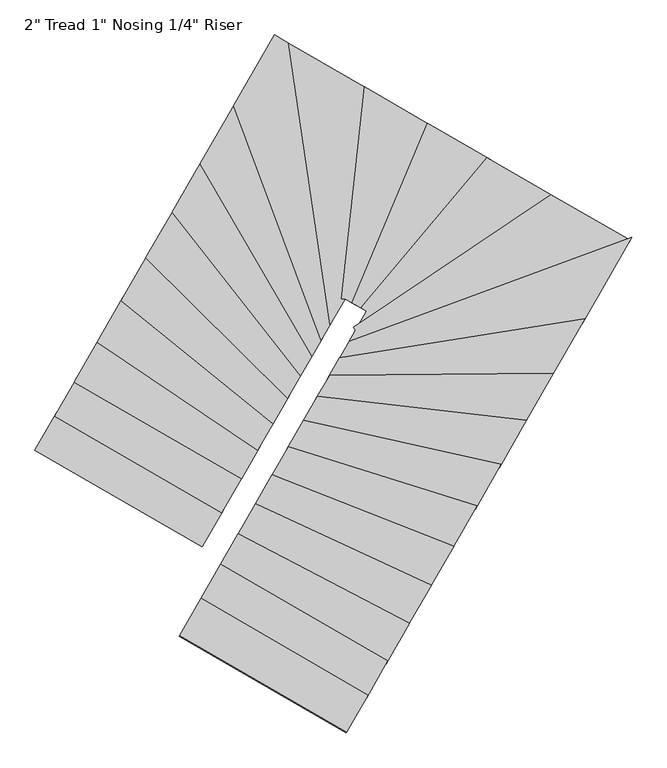
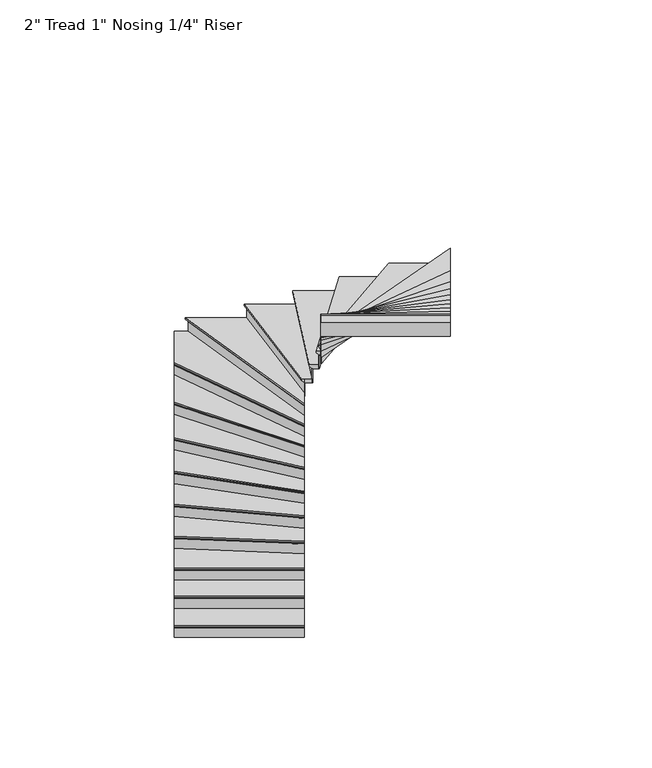
"""IFC4 building model written with IfcOpenShell, lengths in millimetres: stair flight geometry."""

from ifc_helpers import new_model, si_unit, origin, place, context, project, spatial, faceted_brep, source, transform, mapped, element, save


def stair_flight_7705b53c(model_context):
    return source(origin(), model_context, "Body", "Brep", [
        faceted_brep([(34058.7429103, -105273.2736568, 16920.7961538), (34058.7429103, -105273.2736568, 16939.8461538), (32870.7873116, -104587.6731496, 16939.8461538), (32870.7873116, -104587.6731496, 16920.7961538), (34071.439216, -105251.274479, 16895.3961538), (32883.4836173, -104565.6739719, 16895.3961538), (34211.0985786, -105009.2835238, 16939.8461538), (33023.1429799, -104323.6830166, 16939.8461538), (32883.4836173, -104565.6739719, 16889.0461538), (33023.1429799, -104323.6830166, 16889.0461538), (34211.0985786, -105009.2835238, 16889.0461538), (34071.439216, -105251.274479, 16889.0461538)], [[[0, 1, 2, 3]], [[4, 0, 3, 5]], [[2, 1, 6, 7]], [[8, 9, 10, 11]], [[2, 7, 9, 8, 5, 3]], [[8, 11, 4, 5]], [[6, 1, 0, 4, 11, 10]], [[7, 6, 10, 9]]]),
        faceted_brep([(34071.439216, -105251.274479, 16889.0461538), (34071.439216, -105251.274479, 16764.0), (34074.6132924, -105245.7746846, 16764.0), (34074.6132924, -105245.7746846, 16889.0461538), (32883.4836173, -104565.6739719, 16889.0461538), (32886.6576937, -104560.1741774, 16889.0461538), (32886.6576937, -104560.1741774, 16764.0), (32883.4836173, -104565.6739719, 16764.0)], [[[0, 1, 2, 3]], [[4, 5, 6, 7]], [[1, 0, 4, 7]], [[2, 1, 7, 6]], [[3, 2, 6, 5]], [[0, 3, 5, 4]]]),
        faceted_brep([(34211.0985786, -105009.2835238, 17064.8923077), (34211.0985786, -105009.2835238, 16889.0461538), (34214.272655, -105003.7837293, 16889.0461538), (34214.272655, -105003.7837293, 17064.8923077), (33023.1429799, -104323.6830166, 17064.8923077), (33026.3170563, -104318.1832221, 17064.8923077), (33026.3170563, -104318.1832221, 16889.0461538), (33023.1429799, -104323.6830166, 16889.0461538)], [[[0, 1, 2, 3]], [[4, 5, 6, 7]], [[1, 0, 4, 7]], [[2, 1, 7, 6]], [[3, 2, 6, 5]], [[0, 3, 5, 4]]]),
        faceted_brep([(33010.4466742, -104345.6821943, 17115.6923077), (34198.4022729, -105031.2827015, 17115.6923077), (34350.7579412, -104767.2925685, 17115.6923077), (33162.8023424, -104081.6920613, 17115.6923077), (33023.1429799, -104323.6830166, 17064.8923077), (33162.8023424, -104081.6920613, 17064.8923077), (34350.7579412, -104767.2925685, 17064.8923077), (34211.0985786, -105009.2835238, 17064.8923077), (33023.1429799, -104323.6830166, 17071.2423077), (33010.4466742, -104345.6821943, 17096.6423077), (34211.0985786, -105009.2835238, 17071.2423077), (34198.4022729, -105031.2827015, 17096.6423077)], [[[0, 1, 2, 3]], [[4, 5, 6, 7]], [[0, 3, 5, 4, 8, 9]], [[4, 7, 10, 8]], [[2, 1, 11, 10, 7, 6]], [[3, 2, 6, 5]], [[11, 1, 0, 9]], [[10, 11, 9, 8]]]),
        faceted_brep([(34350.7579412, -104767.2925685, 17240.7384615), (34350.7579412, -104767.2925685, 17064.8923077), (34353.9320176, -104761.792774, 17064.8923077), (34353.9320176, -104761.792774, 17240.7384615), (33162.8023424, -104081.6920613, 17240.7384615), (33165.9764188, -104076.1922668, 17240.7384615), (33165.9764188, -104076.1922668, 17064.8923077), (33162.8023424, -104081.6920613, 17064.8923077)], [[[0, 1, 2, 3]], [[4, 5, 6, 7]], [[1, 0, 4, 7]], [[2, 1, 7, 6]], [[3, 2, 6, 5]], [[0, 3, 5, 4]]]),
        faceted_brep([(33150.1060367, -104103.691239, 17291.5384615), (34338.0616355, -104789.2917462, 17291.5384615), (34466.1119936, -104567.4159771, 17291.5384615), (33326.8309287, -103797.4759977, 17291.5384615), (33162.8023424, -104081.6920613, 17240.7384615), (33326.8309287, -103797.4759977, 17240.7384615), (34466.1119936, -104567.4159771, 17240.7384615), (34350.7579412, -104767.2925685, 17240.7384615), (33162.8023424, -104081.6920613, 17247.0884615), (33150.1060367, -104103.691239, 17272.4884615), (34350.7579412, -104767.2925685, 17247.0884615), (34338.0616355, -104789.2917462, 17272.4884615)], [[[0, 1, 2, 3]], [[4, 5, 6, 7]], [[0, 3, 5, 4, 8, 9]], [[4, 7, 10, 8]], [[2, 1, 11, 10, 7, 6]], [[3, 2, 6, 5]], [[11, 1, 0, 9]], [[10, 11, 9, 8]]]),
        faceted_brep([(34466.1119936, -104567.4159771, 17416.5846154), (34466.1119936, -104567.4159771, 17240.7384615), (34469.2940592, -104561.9023397, 17240.7384615), (34469.2940592, -104561.9023397, 17416.5846154), (33326.8309287, -103797.4759977, 17416.5846154), (33330.0129943, -103791.9623602, 17416.5846154), (33330.0129943, -103791.9623602, 17240.7384615), (33326.8309287, -103797.4759977, 17240.7384615)], [[[0, 1, 2, 3]], [[4, 5, 6, 7]], [[1, 0, 4, 7]], [[2, 1, 7, 6]], [[3, 2, 6, 5]], [[0, 3, 5, 4]]]),
        faceted_brep([(33314.1026662, -103819.5305476, 17467.3846154), (34453.3837311, -104589.4705271, 17467.3846154), (34576.4243037, -104376.2753274, 17467.3846154), (33496.0843406, -103504.2067597, 17467.3846154), (33326.8309287, -103797.4759977, 17416.5846154), (33496.0843406, -103504.2067597, 17416.5846154), (34576.4243037, -104376.2753274, 17416.5846154), (34466.1119936, -104567.4159771, 17416.5846154), (33326.8309287, -103797.4759977, 17422.9346154), (33314.1026662, -103819.5305476, 17448.3346154), (34466.1119936, -104567.4159771, 17422.9346154), (34453.3837311, -104589.4705271, 17448.3346154)], [[[0, 1, 2, 3]], [[4, 5, 6, 7]], [[0, 3, 5, 4, 8, 9]], [[4, 7, 10, 8]], [[2, 1, 11, 10, 7, 6]], [[3, 2, 6, 5]], [[11, 1, 0, 9]], [[10, 11, 9, 8]]]),
        faceted_brep([(34576.4243037, -104376.2753274, 17592.4307692), (34576.4243037, -104376.2753274, 17416.5846154), (34579.6372439, -104370.7081927, 17416.5846154), (34579.6372439, -104370.7081927, 17592.4307692), (33496.0843406, -103504.2067597, 17592.4307692), (33499.2972808, -103498.6396251, 17592.4307692), (33499.2972808, -103498.6396251, 17416.5846154), (33496.0843406, -103504.2067597, 17416.5846154)], [[[0, 1, 2, 3]], [[4, 5, 6, 7]], [[1, 0, 4, 7]], [[2, 1, 7, 6]], [[3, 2, 6, 5]], [[0, 3, 5, 4]]]),
        faceted_brep([(33483.2325797, -103526.4752982, 17643.2307692), (34563.5725428, -104398.5438658, 17643.2307692), (34679.9412357, -104196.9091838, 17643.2307692), (33672.4400651, -103198.631183, 17643.2307692), (33496.0843406, -103504.2067597, 17592.4307692), (33672.4400651, -103198.631183, 17592.4307692), (34679.9412357, -104196.9091838, 17592.4307692), (34576.4243037, -104376.2753274, 17592.4307692), (33496.0843406, -103504.2067597, 17598.7807692), (33483.2325797, -103526.4752982, 17624.1807692), (34576.4243037, -104376.2753274, 17598.7807692), (34563.5725428, -104398.5438658, 17624.1807692)], [[[0, 1, 2, 3]], [[4, 5, 6, 7]], [[0, 3, 5, 4, 8, 9]], [[4, 7, 10, 8]], [[2, 1, 11, 10, 7, 6]], [[3, 2, 6, 5]], [[11, 1, 0, 9]], [[10, 11, 9, 8]]]),
        faceted_brep([(34679.9412357, -104196.9091838, 17768.2769231), (34679.9412357, -104196.9091838, 17592.4307692), (34683.2234174, -104191.222073, 17592.4307692), (34683.2234174, -104191.222073, 17768.2769231), (33672.4400651, -103198.631183, 17768.2769231), (33675.7222468, -103192.9440722, 17768.2769231), (33675.7222468, -103192.9440722, 17592.4307692), (33672.4400651, -103198.631183, 17592.4307692)], [[[0, 1, 2, 3]], [[4, 5, 6, 7]], [[1, 0, 4, 7]], [[2, 1, 7, 6]], [[3, 2, 6, 5]], [[0, 3, 5, 4]]]),
        faceted_brep([(33659.3113385, -103221.3796263, 17819.0769231), (34666.8125091, -104219.6576271, 17819.0769231), (34773.9816638, -104033.9631944, 17819.0769231), (33858.7893199, -102875.7395891, 17819.0769231), (33672.4400651, -103198.631183, 17768.2769231), (33858.7893199, -102875.7395891, 17768.2769231), (34773.9816638, -104033.9631944, 17768.2769231), (34679.9412357, -104196.9091838, 17768.2769231), (33672.4400651, -103198.631183, 17774.6269231), (33659.3113385, -103221.3796263, 17800.0269231), (34679.9412357, -104196.9091838, 17774.6269231), (34666.8125091, -104219.6576271, 17800.0269231)], [[[0, 1, 2, 3]], [[4, 5, 6, 7]], [[0, 3, 5, 4, 8, 9]], [[4, 7, 10, 8]], [[2, 1, 11, 10, 7, 6]], [[3, 2, 6, 5]], [[11, 1, 0, 9]], [[10, 11, 9, 8]]]),
        faceted_brep([(34773.9816638, -104033.9631944, 17944.1230769), (34773.9816638, -104033.9631944, 17768.2769231), (34777.3977151, -104028.0441244, 17768.2769231), (34777.3977151, -104028.0441244, 17944.1230769), (33858.7893199, -102875.7395891, 17944.1230769), (33862.2053713, -102869.8205192, 17944.1230769), (33862.2053713, -102869.8205192, 17768.2769231), (33858.7893199, -102875.7395891, 17768.2769231)], [[[0, 1, 2, 3]], [[4, 5, 6, 7]], [[1, 0, 4, 7]], [[2, 1, 7, 6]], [[3, 2, 6, 5]], [[0, 3, 5, 4]]]),
        faceted_brep([(33845.1251145, -102899.4158688, 17994.9230769), (34760.3174583, -104057.6394741, 17994.9230769), (34854.2213067, -103894.9301393, 17994.9230769), (34059.8187483, -102527.4113245, 17994.9230769), (33858.7893199, -102875.7395891, 17944.1230769), (34059.8187483, -102527.4113245, 17944.1230769), (34854.2213067, -103894.9301393, 17944.1230769), (34773.9816638, -104033.9631944, 17944.1230769), (33858.7893199, -102875.7395891, 17950.4730769), (33845.1251145, -102899.4158688, 17975.8730769), (34773.9816638, -104033.9631944, 17950.4730769), (34760.3174583, -104057.6394741, 17975.8730769)], [[[0, 1, 2, 3]], [[4, 5, 6, 7]], [[0, 3, 5, 4, 8, 9]], [[4, 7, 10, 8]], [[2, 1, 11, 10, 7, 6]], [[3, 2, 6, 5]], [[11, 1, 0, 9]], [[10, 11, 9, 8]]]),
        faceted_brep([(34854.2213067, -103894.9301393, 18119.9692308), (34854.2213067, -103894.9301393, 17944.1230769), (34857.8811513, -103888.5886433, 17944.1230769), (34857.8811513, -103888.5886433, 18119.9692308), (34059.8187483, -102527.4113245, 18119.9692308), (34063.4785929, -102521.0698284, 18119.9692308), (34063.4785929, -102521.0698284, 17944.1230769), (34059.8187483, -102527.4113245, 17944.1230769)], [[[0, 1, 2, 3]], [[4, 5, 6, 7]], [[1, 0, 4, 7]], [[2, 1, 7, 6]], [[3, 2, 6, 5]], [[0, 3, 5, 4]]]),
        faceted_brep([(34045.1793698, -102552.7773087, 18170.7692308), (34839.5819282, -103920.2961236, 18170.7692308), (34920.9943729, -103779.2309282, 18170.7692308), (34299.1595432, -102112.7000831, 18170.7692308), (34059.8187483, -102527.4113245, 18119.9692308), (34299.1595432, -102112.7000831, 18119.9692308), (34920.9943729, -103779.2309282, 18119.9692308), (34854.2213067, -103894.9301393, 18119.9692308), (34059.8187483, -102527.4113245, 18126.3192308), (34045.1793698, -102552.7773087, 18151.7192308), (34854.2213067, -103894.9301393, 18126.3192308), (34839.5819282, -103920.2961236, 18151.7192308)], [[[0, 1, 2, 3]], [[4, 5, 6, 7]], [[0, 3, 5, 4, 8, 9]], [[4, 7, 10, 8]], [[2, 1, 11, 10, 7, 6]], [[3, 2, 6, 5]], [[11, 1, 0, 9]], [[10, 11, 9, 8]]]),
        faceted_brep([(34920.9943729, -103779.2309282, 18295.8153846), (34920.9943729, -103779.2309282, 18119.9692308), (34925.1106859, -103772.098499, 18119.9692308), (34925.1106859, -103772.098499, 18295.8153846), (34299.1595432, -102112.7000831, 18295.8153846), (34303.2758562, -102105.567654, 18295.8153846), (34303.2758562, -102105.567654, 18119.9692308), (34299.1595432, -102112.7000831, 18119.9692308)], [[[0, 1, 2, 3]], [[4, 5, 6, 7]], [[1, 0, 4, 7]], [[2, 1, 7, 6]], [[3, 2, 6, 5]], [[0, 3, 5, 4]]]),
        faceted_brep([(34702.6300907, -101713.9698157, 18346.6153846), (34572.5902855, -101638.9204145, 18346.6153846), (34282.6942913, -102141.2297997, 18346.6153846), (34904.529121, -103807.7606448, 18346.6153846), (34988.6092331, -103662.0731214, 18346.6153846), (34572.5902855, -101638.9204145, 18295.8153846), (34702.6300907, -101713.9698157, 18295.8153846), (34988.6092331, -103662.0731214, 18295.8153846), (34920.9943729, -103779.2309282, 18295.8153846), (34299.1595432, -102112.7000831, 18295.8153846), (34920.9943729, -103779.2309282, 18302.1653846), (34299.1595432, -102112.7000831, 18302.1653846), (34904.529121, -103807.7606448, 18327.5653846), (34282.6942913, -102141.2297997, 18327.5653846)], [[[0, 1, 2, 3, 4]], [[5, 6, 7, 8, 9]], [[1, 0, 6, 5]], [[9, 8, 10, 11]], [[4, 3, 12, 10, 8, 7]], [[0, 4, 7, 6]], [[12, 3, 2, 13]], [[10, 12, 13, 11]], [[2, 1, 5, 9, 11, 13]]]),
        faceted_brep([(34988.6092331, -103662.0731214, 18471.6615385), (34988.6092331, -103662.0731214, 18295.8153846), (34993.725825, -103653.2074862, 18295.8153846), (34993.725825, -103653.2074862, 18471.6615385), (34702.6300907, -101713.9698157, 18471.6615385), (34709.6422249, -101718.0167033, 18471.6615385), (34709.6422249, -101718.0167033, 18295.8153846), (34702.6300907, -101713.9698157, 18295.8153846)], [[[0, 1, 2, 3]], [[4, 5, 6, 7]], [[1, 0, 4, 7]], [[2, 1, 7, 6]], [[3, 2, 6, 5]], [[0, 3, 5, 4]]]),
        faceted_brep([(34674.5815538, -101697.7822653, 18522.4615385), (34968.1428654, -103697.5356624, 18522.4615385), (35074.0644902, -103514.0028531, 18522.4615385), (35236.0103431, -102021.7976268, 18522.4615385), (34702.6300907, -101713.9698157, 18471.6615385), (35236.0103431, -102021.7976268, 18471.6615385), (35074.0644902, -103514.0028531, 18471.6615385), (34988.6092331, -103662.0731214, 18471.6615385), (34702.6300907, -101713.9698157, 18478.0115385), (34674.5815538, -101697.7822653, 18503.4115385), (34988.6092331, -103662.0731214, 18478.0115385), (34968.1428654, -103697.5356624, 18503.4115385)], [[[0, 1, 2, 3]], [[4, 5, 6, 7]], [[0, 3, 5, 4, 8, 9]], [[4, 7, 10, 8]], [[2, 1, 11, 10, 7, 6]], [[3, 2, 6, 5]], [[11, 1, 0, 9]], [[10, 11, 9, 8]]]),
        faceted_brep([(35074.0644902, -103514.0028531, 18647.5076923), (35074.0644902, -103514.0028531, 18471.6615385), (35080.3774212, -103514.6879821, 18471.6615385), (35080.3774212, -103514.6879821, 18647.5076923), (35236.0103431, -102021.7976268, 18647.5076923), (35242.0211473, -102025.2666204, 18647.5076923), (35242.0211473, -102025.2666204, 18471.6615385), (35236.0103431, -102021.7976268, 18471.6615385)], [[[0, 1, 2, 3]], [[4, 5, 6, 7]], [[1, 0, 4, 7]], [[2, 1, 7, 6]], [[3, 2, 6, 5]], [[0, 3, 5, 4]]]),
        faceted_brep([(35211.9671266, -102007.9216524, 18698.3076923), (35048.812766, -103511.2623373, 18698.3076923), (35074.0644902, -103514.0028531, 18698.3076923), (35074.945377, -103512.4765204, 18698.3076923), (35147.2728149, -103554.2185924, 18698.3076923), (35681.2119659, -102278.735225, 18698.3076923), (35236.0103431, -102021.7976268, 18647.5076923), (35681.2119659, -102278.735225, 18647.5076923), (35147.2728149, -103554.2185924, 18647.5076923), (35074.945377, -103512.4765204, 18647.5076923), (35074.0644902, -103514.0028531, 18647.5076923), (35236.0103431, -102021.7976268, 18653.8576923), (35211.9671266, -102007.9216524, 18679.2576923), (35074.0644902, -103514.0028531, 18653.8576923), (35048.812766, -103511.2623373, 18679.2576923)], [[[0, 1, 2, 3, 4, 5]], [[6, 7, 8, 9, 10]], [[0, 5, 7, 6, 11, 12]], [[6, 10, 13, 11]], [[3, 2, 13, 10, 9]], [[4, 3, 9, 8]], [[5, 4, 8, 7]], [[14, 1, 0, 12]], [[13, 14, 12, 11]], [[1, 14, 13, 2]]]),
        faceted_brep([(35147.2728149, -103554.2185924, 18823.3538462), (35147.2728149, -103554.2185924, 18647.5076923), (35152.8172476, -103557.4184307, 18647.5076923), (35152.8172476, -103557.4184307, 18823.3538462), (35681.2119659, -102278.735225, 18823.3538462), (35686.7563986, -102281.9350634, 18823.3538462), (35686.7563986, -102281.9350634, 18647.5076923), (35681.2119659, -102278.735225, 18647.5076923)], [[[0, 1, 2, 3]], [[4, 5, 6, 7]], [[1, 0, 4, 7]], [[2, 1, 7, 6]], [[3, 2, 6, 5]], [[0, 3, 5, 4]]]),
        faceted_brep([(35659.0342352, -102265.9358717, 18874.1538462), (35125.0950842, -103541.419239, 18874.1538462), (35209.7916954, -103590.2998871, 18874.1538462), (36104.2961835, -102522.9082854, 18874.1538462), (35681.2119659, -102278.735225, 18823.3538462), (36104.2961835, -102522.9082854, 18823.3538462), (35209.7916954, -103590.2998871, 18823.3538462), (35147.2728149, -103554.2185924, 18823.3538462), (35681.2119659, -102278.735225, 18829.7038462), (35659.0342352, -102265.9358717, 18855.1038462), (35147.2728149, -103554.2185924, 18829.7038462), (35125.0950842, -103541.419239, 18855.1038462)], [[[0, 1, 2, 3]], [[4, 5, 6, 7]], [[0, 3, 5, 4, 8, 9]], [[4, 7, 10, 8]], [[3, 2, 6, 5]], [[11, 1, 0, 9]], [[10, 11, 9, 8]], [[2, 1, 11, 10, 7, 6]]]),
        faceted_brep([(35209.7916954, -103590.2998871, 18999.2), (35209.7916954, -103590.2998871, 18823.3538462), (35215.3758797, -103593.5226672, 18823.3538462), (35215.3758797, -103593.5226672, 18999.2), (36104.2961835, -102522.9082854, 18999.2), (36109.8803678, -102526.1310655, 18999.2), (36109.8803678, -102526.1310655, 18823.3538462), (36104.2961835, -102522.9082854, 18823.3538462)], [[[0, 1, 2, 3]], [[4, 5, 6, 7]], [[1, 0, 4, 7]], [[2, 1, 7, 6]], [[3, 2, 6, 5]], [[0, 3, 5, 4]]]),
        faceted_brep([(36081.9594463, -102510.0171653, 19050.0), (35187.4549582, -103577.408767, 19050.0), (35227.850771, -103600.722256, 19050.0), (35150.8603109, -103734.1253779, 19050.0), (36560.749701, -102786.3396489, 19050.0), (36104.2961835, -102522.9082854, 18999.2), (36560.749701, -102786.3396489, 18999.2), (35150.8603109, -103734.1253779, 18999.2), (35227.850771, -103600.722256, 18999.2), (35209.7916954, -103590.2998871, 18999.2), (36104.2961835, -102522.9082854, 19005.55), (36081.9594463, -102510.0171653, 19030.95), (35209.7916954, -103590.2998871, 19005.55), (35187.4549582, -103577.408767, 19030.95)], [[[0, 1, 2, 3, 4]], [[5, 6, 7, 8, 9]], [[0, 4, 6, 5, 10, 11]], [[5, 9, 12, 10]], [[2, 1, 13, 12, 9, 8]], [[4, 3, 7, 6]], [[13, 1, 0, 11]], [[12, 13, 11, 10]], [[3, 2, 8, 7]]]),
        faceted_brep([(35150.8603109, -103734.1253779, 19175.0461538), (35150.8603109, -103734.1253779, 18999.2), (35154.4029692, -103739.3952994, 18999.2), (35154.4029692, -103739.3952994, 19175.0461538), (36560.749701, -102786.3396489, 19175.0461538), (36566.8739534, -102789.8741165, 19175.0461538), (36566.8739534, -102789.8741165, 18999.2), (36560.749701, -102786.3396489, 18999.2)], [[[0, 1, 2, 3]], [[4, 5, 6, 7]], [[1, 0, 4, 7]], [[2, 1, 7, 6]], [[3, 2, 6, 5]], [[0, 3, 5, 4]]]),
        faceted_brep([(37094.2233393, -103110.8142435, 19225.8461538), (37101.4068769, -103098.3671644, 19225.8461538), (36536.2526915, -102772.2017786, 19225.8461538), (35136.6896777, -103713.0456921, 19225.8461538), (35150.8603109, -103734.1253779, 19225.8461538), (35085.0928584, -103848.0821394, 19225.8461538), (37101.4068769, -103098.3671644, 19175.0461538), (37094.2233393, -103110.8142435, 19175.0461538), (35085.0928584, -103848.0821394, 19175.0461538), (35150.8603109, -103734.1253779, 19175.0461538), (36560.749701, -102786.3396489, 19175.0461538), (35150.8603109, -103734.1253779, 19181.3961538), (36560.749701, -102786.3396489, 19181.3961538), (35136.6896777, -103713.0456921, 19206.7961538), (36536.2526915, -102772.2017786, 19206.7961538)], [[[0, 1, 2, 3, 4, 5]], [[6, 7, 8, 9, 10]], [[1, 0, 7, 6]], [[10, 9, 11, 12]], [[5, 4, 11, 9, 8]], [[0, 5, 8, 7]], [[13, 3, 2, 14]], [[11, 13, 14, 12]], [[3, 13, 11, 4]], [[2, 1, 6, 10, 12, 14]]]),
        faceted_brep([(35085.0928584, -103848.0821394, 19350.8923077), (35085.0928584, -103848.0821394, 19175.0461538), (35080.1402879, -103856.6635709, 19175.0461538), (35080.1402879, -103856.6635709, 19350.8923077), (37094.2233393, -103110.8142435, 19350.8923077), (37089.2707688, -103119.3956751, 19350.8923077), (37089.2707688, -103119.3956751, 19175.0461538), (37094.2233393, -103110.8142435, 19175.0461538)], [[[0, 1, 2, 3]], [[4, 5, 6, 7]], [[1, 0, 4, 7]], [[2, 1, 7, 6]], [[3, 2, 6, 5]], [[0, 3, 5, 4]]]),
        faceted_brep([(37114.0336213, -103076.4885172, 19401.6923077), (35104.9031404, -103813.7564131, 19401.6923077), (35019.9504335, -103960.9559012, 19401.6923077), (36764.2781484, -103682.5177832, 19401.6923077), (37094.2233393, -103110.8142435, 19350.8923077), (36764.2781484, -103682.5177832, 19350.8923077), (35019.9504335, -103960.9559012, 19350.8923077), (35085.0928584, -103848.0821394, 19350.8923077), (37094.2233393, -103110.8142435, 19357.2423077), (37114.0336213, -103076.4885172, 19382.6423077), (35085.0928584, -103848.0821394, 19357.2423077), (35104.9031404, -103813.7564131, 19382.6423077)], [[[0, 1, 2, 3]], [[4, 5, 6, 7]], [[0, 3, 5, 4, 8, 9]], [[4, 7, 10, 8]], [[2, 1, 11, 10, 7, 6]], [[3, 2, 6, 5]], [[11, 1, 0, 9]], [[10, 11, 9, 8]]]),
        faceted_brep([(35019.9504335, -103960.9559012, 19526.7384615), (35019.9504335, -103960.9559012, 19350.8923077), (35015.8627092, -103968.0387942, 19350.8923077), (35015.8627092, -103968.0387942, 19526.7384615), (36764.2781484, -103682.5177832, 19526.7384615), (36760.1904241, -103689.6006762, 19526.7384615), (36760.1904241, -103689.6006762, 19350.8923077), (36764.2781484, -103682.5177832, 19350.8923077)], [[[0, 1, 2, 3]], [[4, 5, 6, 7]], [[1, 0, 4, 7]], [[2, 1, 7, 6]], [[3, 2, 6, 5]], [[0, 3, 5, 4]]]),
        faceted_brep([(36780.6290459, -103654.1862112, 19577.5384615), (35036.301331, -103932.6243292, 19577.5384615), (34951.5828788, -104079.4179189, 19577.5384615), (36542.1715296, -104067.3669754, 19577.5384615), (36764.2781484, -103682.5177832, 19526.7384615), (36542.1715296, -104067.3669754, 19526.7384615), (34951.5828788, -104079.4179189, 19526.7384615), (35019.9504335, -103960.9559012, 19526.7384615), (36764.2781484, -103682.5177832, 19533.0884615), (36780.6290459, -103654.1862112, 19558.4884615), (35019.9504335, -103960.9559012, 19533.0884615), (35036.301331, -103932.6243292, 19558.4884615)], [[[0, 1, 2, 3]], [[4, 5, 6, 7]], [[0, 3, 5, 4, 8, 9]], [[4, 7, 10, 8]], [[2, 1, 11, 10, 7, 6]], [[3, 2, 6, 5]], [[11, 1, 0, 9]], [[10, 11, 9, 8]]]),
        faceted_brep([(34951.5828788, -104079.4179189, 19702.5846154), (34951.5828788, -104079.4179189, 19526.7384615), (34947.901926, -104085.7959895, 19526.7384615), (34947.901926, -104085.7959895, 19702.5846154), (36542.1715296, -104067.3669754, 19702.5846154), (36538.4905768, -104073.745046, 19702.5846154), (36538.4905768, -104073.745046, 19526.7384615), (36542.1715296, -104067.3669754, 19526.7384615)], [[[0, 1, 2, 3]], [[4, 5, 6, 7]], [[1, 0, 4, 7]], [[2, 1, 7, 6]], [[3, 2, 6, 5]], [[0, 3, 5, 4]]]),
        faceted_brep([(36556.8953407, -104041.8546928, 19753.3846154), (34966.3066899, -104053.9056363, 19753.3846154), (34866.3512228, -104227.1007485, 19753.3846154), (36349.8802275, -104400.5544899, 19753.3846154), (36542.1715296, -104067.3669754, 19702.5846154), (36349.8802275, -104400.5544899, 19702.5846154), (34866.3512228, -104227.1007485, 19702.5846154), (34951.5828788, -104079.4179189, 19702.5846154), (36542.1715296, -104067.3669754, 19708.9346154), (36556.8953407, -104041.8546928, 19734.3346154), (34951.5828788, -104079.4179189, 19708.9346154), (34966.3066899, -104053.9056363, 19734.3346154)], [[[0, 1, 2, 3]], [[4, 5, 6, 7]], [[0, 3, 5, 4, 8, 9]], [[4, 7, 10, 8]], [[2, 1, 11, 10, 7, 6]], [[3, 2, 6, 5]], [[11, 1, 0, 9]], [[10, 11, 9, 8]]]),
        faceted_brep([(34866.3512228, -104227.1007485, 19878.4307692), (34866.3512228, -104227.1007485, 19702.5846154), (34862.8947409, -104233.0898734, 19702.5846154), (34862.8947409, -104233.0898734, 19878.4307692), (36349.8802275, -104400.5544899, 19878.4307692), (36346.4237456, -104406.5436147, 19878.4307692), (36346.4237456, -104406.5436147, 19702.5846154), (36349.8802275, -104400.5544899, 19702.5846154)], [[[0, 1, 2, 3]], [[4, 5, 6, 7]], [[1, 0, 4, 7]], [[2, 1, 7, 6]], [[3, 2, 6, 5]], [[0, 3, 5, 4]]]),
        faceted_brep([(36363.7061551, -104376.5979906, 19929.2307692), (34880.1771504, -104203.1442492, 19929.2307692), (34767.3003859, -104398.7283874, 19929.2307692), (36170.6479419, -104711.1143493, 19929.2307692), (36349.8802275, -104400.5544899, 19878.4307692), (36170.6479419, -104711.1143493, 19878.4307692), (34767.3003859, -104398.7283874, 19878.4307692), (34866.3512228, -104227.1007485, 19878.4307692), (36349.8802275, -104400.5544899, 19884.7807692), (36363.7061551, -104376.5979906, 19910.1807692), (34866.3512228, -104227.1007485, 19884.7807692), (34880.1771504, -104203.1442492, 19910.1807692)], [[[0, 1, 2, 3]], [[4, 5, 6, 7]], [[0, 3, 5, 4, 8, 9]], [[4, 7, 10, 8]], [[2, 1, 11, 10, 7, 6]], [[3, 2, 6, 5]], [[11, 1, 0, 9]], [[10, 11, 9, 8]]]),
        faceted_brep([(34767.3003859, -104398.7283874, 20054.2769231), (34767.3003859, -104398.7283874, 19878.4307692), (34763.9733544, -104404.4932107, 19878.4307692), (34763.9733544, -104404.4932107, 20054.2769231), (36170.6479419, -104711.1143493, 20054.2769231), (36167.3209103, -104716.8791726, 20054.2769231), (36167.3209103, -104716.8791726, 19878.4307692), (36170.6479419, -104711.1143493, 19878.4307692)], [[[0, 1, 2, 3]], [[4, 5, 6, 7]], [[1, 0, 4, 7]], [[2, 1, 7, 6]], [[3, 2, 6, 5]], [[0, 3, 5, 4]]]),
        faceted_brep([(36183.9560681, -104688.0550562, 20105.0769231), (34780.6085122, -104375.6690942, 20105.0769231), (34659.0883244, -104586.2298886, 20105.0769231), (36000.1395375, -105006.5581412, 20105.0769231), (36170.6479419, -104711.1143493, 20054.2769231), (36000.1395375, -105006.5581412, 20054.2769231), (34659.0883244, -104586.2298886, 20054.2769231), (34767.3003859, -104398.7283874, 20054.2769231), (36170.6479419, -104711.1143493, 20060.6269231), (36183.9560681, -104688.0550562, 20086.0269231), (34767.3003859, -104398.7283874, 20060.6269231), (34780.6085122, -104375.6690942, 20086.0269231)], [[[0, 1, 2, 3]], [[4, 5, 6, 7]], [[0, 3, 5, 4, 8, 9]], [[4, 7, 10, 8]], [[2, 1, 11, 10, 7, 6]], [[3, 2, 6, 5]], [[11, 1, 0, 9]], [[10, 11, 9, 8]]]),
        faceted_brep([(34659.0883244, -104586.2298886, 20230.1230769), (34659.0883244, -104586.2298886, 20054.2769231), (34655.8360753, -104591.8651347, 20054.2769231), (34655.8360753, -104591.8651347, 20230.1230769), (36000.1395375, -105006.5581412, 20230.1230769), (35996.8872884, -105012.1933873, 20230.1230769), (35996.8872884, -105012.1933873, 20054.2769231), (36000.1395375, -105006.5581412, 20054.2769231)], [[[0, 1, 2, 3]], [[4, 5, 6, 7]], [[1, 0, 4, 7]], [[2, 1, 7, 6]], [[3, 2, 6, 5]], [[0, 3, 5, 4]]]),
        faceted_brep([(36013.1485342, -104984.0171568, 20280.9230769), (34672.097321, -104563.6889042, 20280.9230769), (34544.4958065, -104784.7869517, 20280.9230769), (35835.7520981, -105291.395998, 20280.9230769), (36000.1395375, -105006.5581412, 20230.1230769), (35835.7520981, -105291.395998, 20230.1230769), (34544.4958065, -104784.7869517, 20230.1230769), (34659.0883244, -104586.2298886, 20230.1230769), (36000.1395375, -105006.5581412, 20236.4730769), (36013.1485342, -104984.0171568, 20261.8730769), (34659.0883244, -104586.2298886, 20236.4730769), (34672.097321, -104563.6889042, 20261.8730769)], [[[0, 1, 2, 3]], [[4, 5, 6, 7]], [[0, 3, 5, 4, 8, 9]], [[4, 7, 10, 8]], [[2, 1, 11, 10, 7, 6]], [[3, 2, 6, 5]], [[11, 1, 0, 9]], [[10, 11, 9, 8]]]),
        faceted_brep([(34544.4958065, -104784.7869517, 20405.9692308), (34544.4958065, -104784.7869517, 20230.1230769), (34541.2859034, -104790.348824, 20230.1230769), (34541.2859034, -104790.348824, 20405.9692308), (35835.7520981, -105291.395998, 20405.9692308), (35832.5421949, -105296.9578703, 20405.9692308), (35832.5421949, -105296.9578703, 20230.1230769), (35835.7520981, -105291.395998, 20230.1230769)], [[[0, 1, 2, 3]], [[4, 5, 6, 7]], [[1, 0, 4, 7]], [[2, 1, 7, 6]], [[3, 2, 6, 5]], [[0, 3, 5, 4]]]),
        faceted_brep([(35848.5917108, -105269.1485089, 20456.7692308), (34557.3354193, -104762.5394626, 20456.7692308), (34425.2836892, -104991.3484999, 20456.7692308), (35675.8265187, -105568.5026883, 20456.7692308), (35835.7520981, -105291.395998, 20405.9692308), (35675.8265187, -105568.5026883, 20405.9692308), (34425.2836892, -104991.3484999, 20405.9692308), (34544.4958065, -104784.7869517, 20405.9692308), (35835.7520981, -105291.395998, 20412.3192308), (35848.5917108, -105269.1485089, 20437.7192308), (34544.4958065, -104784.7869517, 20412.3192308), (34557.3354193, -104762.5394626, 20437.7192308)], [[[0, 1, 2, 3]], [[4, 5, 6, 7]], [[0, 3, 5, 4, 8, 9]], [[4, 7, 10, 8]], [[2, 1, 11, 10, 7, 6]], [[3, 2, 6, 5]], [[11, 1, 0, 9]], [[10, 11, 9, 8]]]),
        faceted_brep([(34425.2836892, -104991.3484999, 20581.8153846), (34425.2836892, -104991.3484999, 20405.9692308), (34422.0964146, -104996.8711631, 20405.9692308), (34422.0964146, -104996.8711631, 20581.8153846), (35675.8265187, -105568.5026883, 20581.8153846), (35672.6392441, -105574.0253516, 20581.8153846), (35672.6392441, -105574.0253516, 20405.9692308), (35675.8265187, -105568.5026883, 20405.9692308)], [[[0, 1, 2, 3]], [[4, 5, 6, 7]], [[1, 0, 4, 7]], [[2, 1, 7, 6]], [[3, 2, 6, 5]], [[0, 3, 5, 4]]]),
        faceted_brep([(35688.5756172, -105546.4120353, 20632.6153846), (34438.0327877, -104969.2578469, 20632.6153846), (34302.6203992, -105203.8899735, 20632.6153846), (35519.2544638, -105839.7986504, 20632.6153846), (35675.8265187, -105568.5026883, 20581.8153846), (35519.2544638, -105839.7986504, 20581.8153846), (34302.6203992, -105203.8899735, 20581.8153846), (34425.2836892, -104991.3484999, 20581.8153846), (35675.8265187, -105568.5026883, 20588.1653846), (35688.5756172, -105546.4120353, 20613.5653846), (34425.2836892, -104991.3484999, 20588.1653846), (34438.0327877, -104969.2578469, 20613.5653846)], [[[0, 1, 2, 3]], [[4, 5, 6, 7]], [[0, 3, 5, 4, 8, 9]], [[4, 7, 10, 8]], [[2, 1, 11, 10, 7, 6]], [[3, 2, 6, 5]], [[11, 1, 0, 9]], [[10, 11, 9, 8]]]),
        faceted_brep([(34302.6203992, -105203.8899735, 20757.6615385), (34302.6203992, -105203.8899735, 20581.8153846), (34299.4435471, -105209.3945774, 20581.8153846), (34299.4435471, -105209.3945774, 20757.6615385), (35519.2544638, -105839.7986504, 20757.6615385), (35516.0776117, -105845.3032543, 20757.6615385), (35516.0776117, -105845.3032543, 20581.8153846), (35519.2544638, -105839.7986504, 20581.8153846)], [[[0, 1, 2, 3]], [[4, 5, 6, 7]], [[1, 0, 4, 7]], [[2, 1, 7, 6]], [[3, 2, 6, 5]], [[0, 3, 5, 4]]]),
        faceted_brep([(35531.9618722, -105817.7802348, 20808.4615385), (34315.3278076, -105181.871558, 20808.4615385), (34177.3113722, -105421.0157758, 20808.4615385), (35365.266971, -106106.616283, 20808.4615385), (35519.2544638, -105839.7986504, 20757.6615385), (35365.266971, -106106.616283, 20757.6615385), (34177.3113722, -105421.0157758, 20757.6615385), (34302.6203992, -105203.8899735, 20757.6615385), (35519.2544638, -105839.7986504, 20764.0115385), (35531.9618722, -105817.7802348, 20789.4115385), (34302.6203992, -105203.8899735, 20764.0115385), (34315.3278076, -105181.871558, 20789.4115385)], [[[0, 1, 2, 3]], [[4, 5, 6, 7]], [[0, 3, 5, 4, 8, 9]], [[4, 7, 10, 8]], [[2, 1, 11, 10, 7, 6]], [[3, 2, 6, 5]], [[11, 1, 0, 9]], [[10, 11, 9, 8]]]),
        faceted_brep([(34177.3113722, -105421.0157758, 20933.5076923), (34177.3113722, -105421.0157758, 20757.6615385), (34174.1372958, -105426.5155703, 20757.6615385), (34174.1372958, -105426.5155703, 20933.5076923), (35365.266971, -106106.616283, 20933.5076923), (35362.0928945, -106112.1160775, 20933.5076923), (35362.0928945, -106112.1160775, 20757.6615385), (35365.266971, -106106.616283, 20757.6615385)], [[[0, 1, 2, 3]], [[4, 5, 6, 7]], [[1, 0, 4, 7]], [[2, 1, 7, 6]], [[3, 2, 6, 5]], [[0, 3, 5, 4]]]),
        faceted_brep([(35377.9632767, -106084.6171053, 20984.3076923), (34190.0076779, -105399.0165981, 20984.3076923), (34037.6520097, -105663.0067311, 20984.3076923), (35225.6076084, -106348.6072383, 20984.3076923), (35365.266971, -106106.616283, 20933.5076923), (35225.6076084, -106348.6072383, 20933.5076923), (34037.6520097, -105663.0067311, 20933.5076923), (34177.3113722, -105421.0157758, 20933.5076923), (35365.266971, -106106.616283, 20939.8576923), (35377.9632767, -106084.6171053, 20965.2576923), (34177.3113722, -105421.0157758, 20939.8576923), (34190.0076779, -105399.0165981, 20965.2576923)], [[[0, 1, 2, 3]], [[4, 5, 6, 7]], [[0, 3, 5, 4, 8, 9]], [[4, 7, 10, 8]], [[2, 1, 11, 10, 7, 6]], [[3, 2, 6, 5]], [[11, 1, 0, 9]], [[10, 11, 9, 8]]]),
        faceted_brep([(34037.6520097, -105663.0067311, 21109.3538462), (34037.6520097, -105663.0067311, 20933.5076923), (34034.4779332, -105668.5065256, 20933.5076923), (34034.4779332, -105668.5065256, 21109.3538462), (35225.6076084, -106348.6072383, 21109.3538462), (35222.433532, -106354.1070327, 21109.3538462), (35222.433532, -106354.1070327, 20933.5076923), (35225.6076084, -106348.6072383, 20933.5076923)], [[[0, 1, 2, 3]], [[4, 5, 6, 7]], [[1, 0, 4, 7]], [[2, 1, 7, 6]], [[3, 2, 6, 5]], [[0, 3, 5, 4]]]),
        faceted_brep([(33897.9926471, -105904.9976864, 21285.2), (33897.9926471, -105904.9976864, 21109.3538462), (33894.8185707, -105910.4974809, 21109.3538462), (33894.8185707, -105910.4974809, 21285.2), (35085.9482458, -106590.5981936, 21285.2), (35082.7741694, -106596.097988, 21285.2), (35082.7741694, -106596.097988, 21109.3538462), (35085.9482458, -106590.5981936, 21109.3538462)], [[[0, 1, 2, 3]], [[4, 5, 6, 7]], [[1, 0, 4, 7]], [[2, 1, 7, 6]], [[3, 2, 6, 5]], [[0, 3, 5, 4]]]),
        faceted_brep([(35238.3039141, -106326.6080606, 21160.1538462), (34050.3483154, -105641.0075534, 21160.1538462), (33897.9926471, -105904.9976864, 21160.1538462), (35085.9482458, -106590.5981936, 21160.1538462), (35225.6076084, -106348.6072383, 21109.3538462), (35085.9482458, -106590.5981936, 21109.3538462), (33897.9926471, -105904.9976864, 21109.3538462), (34037.6520097, -105663.0067311, 21109.3538462), (35225.6076084, -106348.6072383, 21115.7038462), (35238.3039141, -106326.6080606, 21141.1038462), (34037.6520097, -105663.0067311, 21115.7038462), (34050.3483154, -105641.0075534, 21141.1038462)], [[[0, 1, 2, 3]], [[4, 5, 6, 7]], [[0, 3, 5, 4, 8, 9]], [[4, 7, 10, 8]], [[2, 1, 11, 10, 7, 6]], [[3, 2, 6, 5]], [[11, 1, 0, 9]], [[10, 11, 9, 8]]]),
    ])


if __name__ == "__main__":
    model = new_model("IFC4")
    model_context = context("Model", 3, world=origin())
    ifc_project = project(units=[si_unit("LENGTHUNIT", "METRE", prefix="MILLI")], contexts=[model_context])
    site = spatial("IfcSite", under=ifc_project)
    building = spatial("IfcBuilding", under=site)
    placement = place(None, origin())
    stair_flight_shape = stair_flight_7705b53c(model_context)
    element("IfcStairFlight", 1, ObjectType="2\" Tread 1\" Nosing 1/4\" Riser", at=placement, inside=building, context=model_context, shape_type="MappedRepresentation", body=[
        mapped(stair_flight_shape, transform((0.0, 0.0, 0.0), x_axis=(1.0, 0.0, 0.0), y_axis=(0.0, 1.0, 0.0), z_axis=(0.0, 0.0, 1.0))),
    ])
    save(model, "model.ifc")
